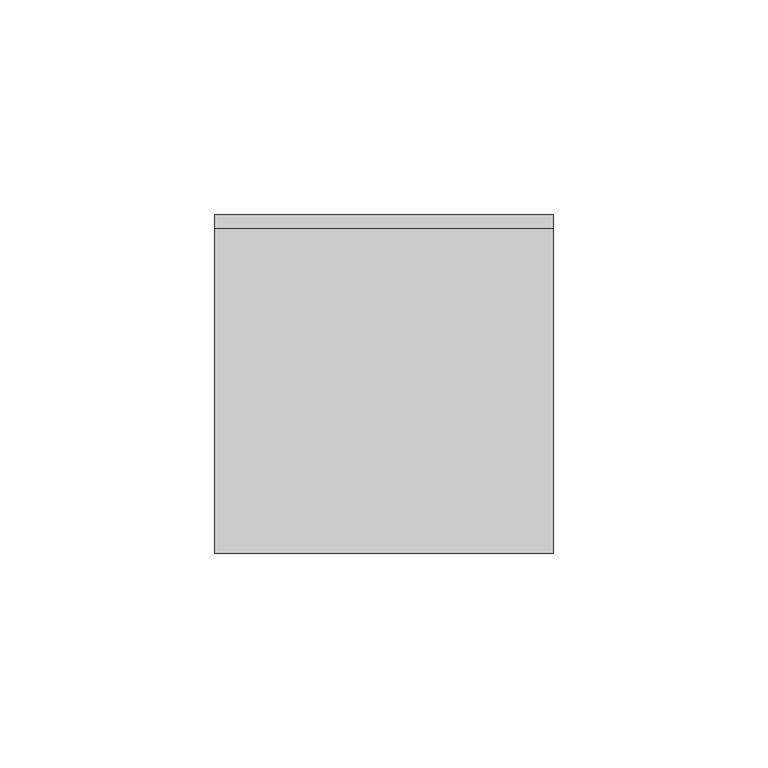
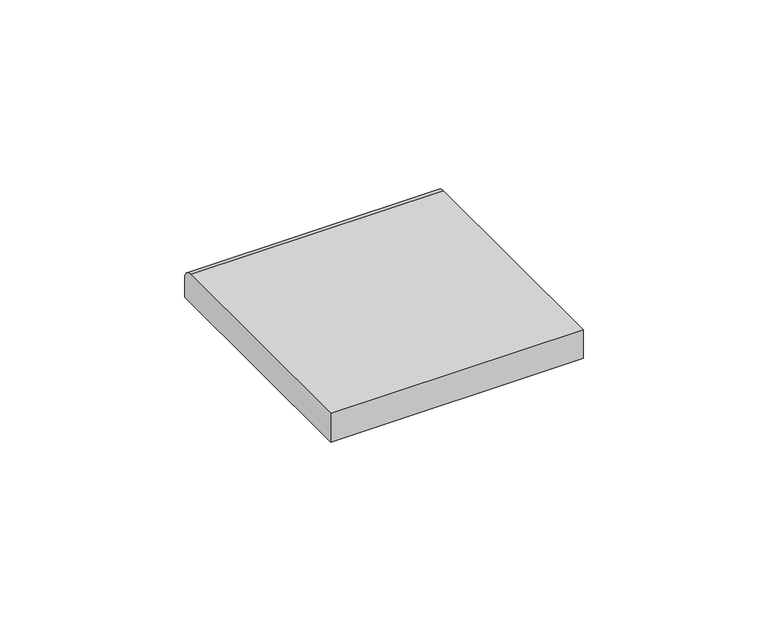
"""IFC4 building model written with IfcOpenShell, lengths in millimetres: furniture geometry."""

from ifc_helpers import new_model, si_unit, point, frame, frame_2d, origin, place, context, project, spatial, polyline, circle_curve, trimmed, segment, composite_curve, outline, extrude, source, transform, mapped, element, save


def furniture_f0f9a750(model_context):
    return source(origin(), model_context, "Body", "SweptSolid", [
        extrude(outline(composite_curve([segment(polyline([(-39.4890625, 1150.3421875), (-39.4890625, 1159.8671875), (36.3140633, 1159.8671875)]), True, "CONTINUOUS"), segment(trimmed(circle_curve(frame_2d((36.3140633, 1156.6921883)), 3.1749992), [point((36.3140633, 1159.8671875))], [point((39.4890625, 1156.6921883))], False, "CARTESIAN"), True, "CONTINUOUS"), segment(polyline([(39.4890625, 1156.6921883), (39.4890625, 1150.3421875), (-39.4890625, 1150.3421875)]), True, "CONTINUOUS")], self_intersect=False)), frame((-39.4890625, 0.0, 0.0), z_axis=(1.0, 0.0, 0.0), x_axis=(0.0, 1.0, 0.0)), (0.0, 0.0, 1.0), 78.978125),
    ])


if __name__ == "__main__":
    model = new_model("IFC4")
    model_context = context("Model", 3, world=origin())
    ifc_project = project(units=[si_unit("LENGTHUNIT", "METRE", prefix="MILLI")], contexts=[model_context])
    site = spatial("IfcSite", under=ifc_project)
    building = spatial("IfcBuilding", under=site)
    placement = place(None, origin())
    furniture_shape = furniture_f0f9a750(model_context)
    element("IfcFurniture", 1, at=placement, inside=building, context=model_context, shape_type="MappedRepresentation", body=[
        mapped(furniture_shape, transform((0.0, 0.0, 0.0), x_axis=(1.0, 0.0, 0.0), y_axis=(0.0, 1.0, 0.0), z_axis=(0.0, 0.0, 1.0))),
    ])
    save(model, "model.ifc")
